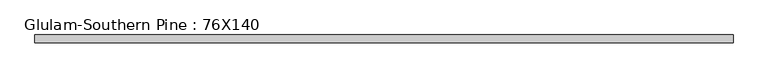
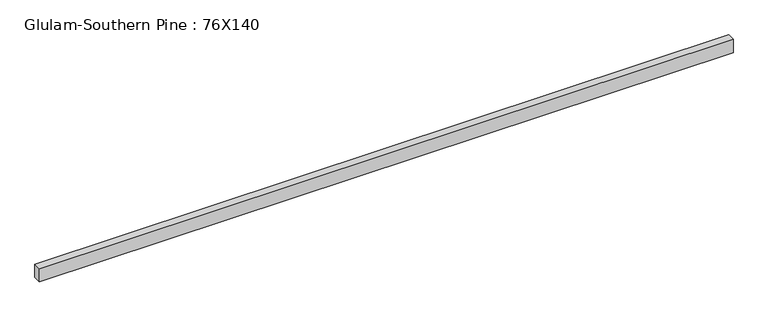
"""IFC4 building model written with IfcOpenShell, lengths in millimetres: member geometry, Glulam-Southern Pine : 76X140."""

from ifc_helpers import new_model, si_unit, frame, origin, place, context, project, spatial, polyline, outline, extrude, source, transform, mapped, element, save


def glulam_southern_pine_76x140_619f70cb(model_context):
    return source(origin(), model_context, "Body", "SweptSolid", [
        extrude(outline(polyline([(3450.0, 38.0), (3450.0, -38.0), (-3450.0, -38.0), (-3450.0, 38.0), (3450.0, 38.0)])), frame((0.0, 0.0, -70.0), z_axis=(0.0, 0.0, 1.0), x_axis=(1.0, 0.0, 0.0)), (0.0, 0.0, 1.0), 140.0),
    ])


if __name__ == "__main__":
    model = new_model("IFC4")
    model_context = context("Model", 3, world=origin())
    ifc_project = project(units=[si_unit("LENGTHUNIT", "METRE", prefix="MILLI")], contexts=[model_context])
    site = spatial("IfcSite", under=ifc_project)
    building = spatial("IfcBuilding", under=site)
    placement = place(None, origin())
    glulam_southern_pine_76x140_shape = glulam_southern_pine_76x140_619f70cb(model_context)
    element("IfcMember", 1, ObjectType="Glulam-Southern Pine : 76X140", at=placement, inside=building, context=model_context, shape_type="MappedRepresentation", body=[
        mapped(glulam_southern_pine_76x140_shape, transform((0.0, 0.0, 0.0), x_axis=(1.0, 0.0, 0.0), y_axis=(0.0, 1.0, 0.0), z_axis=(0.0, 0.0, 1.0))),
    ])
    save(model, "model.ifc")
